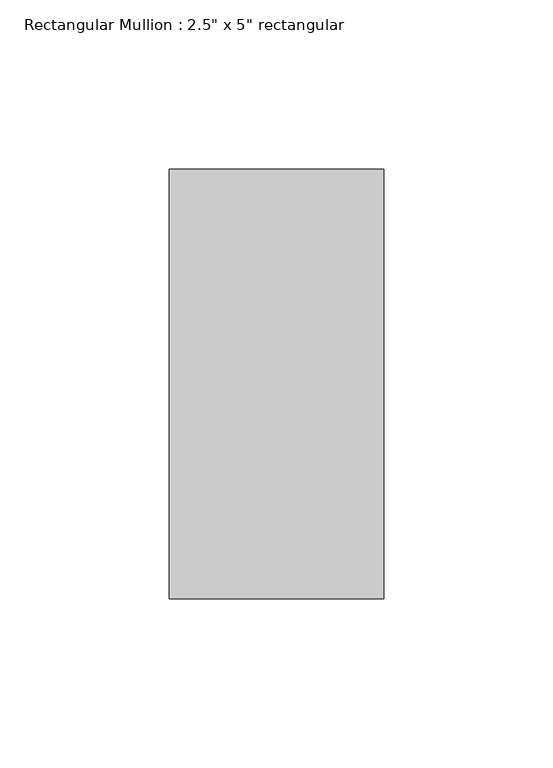
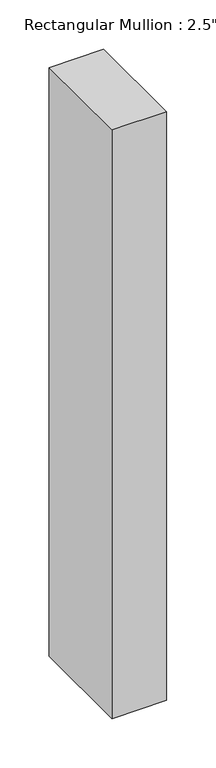
"""IFC4 building model written with IfcOpenShell, lengths in millimetres: member geometry."""

from ifc_helpers import new_model, si_unit, frame, origin, place, context, project, spatial, polyline, outline, extrude, source, transform, mapped, element, save


def member_4002ac25(model_context):
    return source(origin(), model_context, "Body", "SweptSolid", [
        extrude(outline(polyline([(31.75, 63.5), (31.75, -63.5), (-31.75, -63.5), (-31.75, 63.5), (31.75, 63.5)])), frame((0.0, 0.0, -726.0166667), z_axis=(0.0, 0.0, 1.0), x_axis=(1.0, 0.0, 0.0)), (0.0, 0.0, 1.0), 726.0166667),
    ])


if __name__ == "__main__":
    model = new_model("IFC4")
    model_context = context("Model", 3, world=origin())
    ifc_project = project(units=[si_unit("LENGTHUNIT", "METRE", prefix="MILLI")], contexts=[model_context])
    site = spatial("IfcSite", under=ifc_project)
    building = spatial("IfcBuilding", under=site)
    placement = place(None, origin())
    member_shape = member_4002ac25(model_context)
    element("IfcMember", 1, ObjectType="Rectangular Mullion : 2.5\" x 5\" rectangular", at=placement, inside=building, context=model_context, shape_type="MappedRepresentation", body=[
        mapped(member_shape, transform((0.0, 0.0, 0.0), x_axis=(1.0, 0.0, 0.0), y_axis=(0.0, 1.0, 0.0), z_axis=(0.0, 0.0, 1.0))),
    ])
    save(model, "model.ifc")
